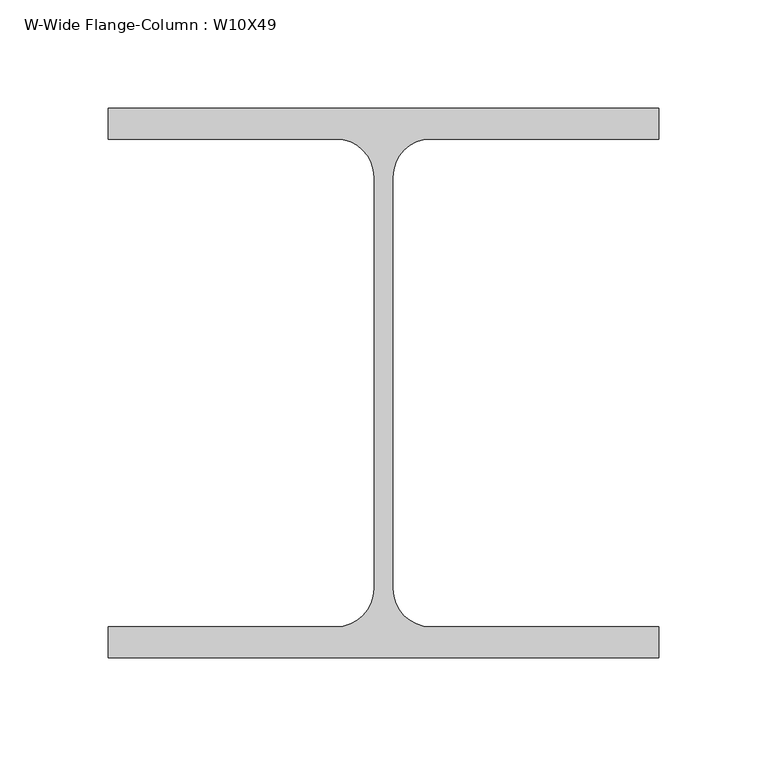
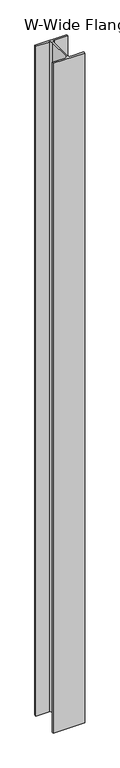
"""IFC4 building model written with IfcOpenShell, lengths in millimetres: column geometry, W-Wide Flange-Column : W10X49."""

from ifc_helpers import new_model, si_unit, point, frame, frame_2d, origin, place, context, project, spatial, polyline, circle_curve, trimmed, segment, composite_curve, outline, extrude, source, transform, mapped, element, save


def w_wide_flange_column_w10x49_fe22e2dc(model_context):
    return source(origin(), model_context, "Body", "SweptSolid", [
        extrude(outline(composite_curve([segment(polyline([(127.0, 126.7519531), (127.0, 112.5636719), (21.8777344, 112.5636719)]), True, "CONTINUOUS"), segment(trimmed(circle_curve(frame_2d((21.8777344, 95.0019531)), 17.5617188), [point((21.8777344, 112.5636719))], [point((4.3160156, 95.0019531))], True, "CARTESIAN"), True, "CONTINUOUS"), segment(polyline([(4.3160156, 95.0019531), (4.3160156, -95.0019531)]), True, "CONTINUOUS"), segment(trimmed(circle_curve(frame_2d((21.8777344, -95.0019531)), 17.5617187), [point((4.3160156, -95.0019531))], [point((21.8777344, -112.5636719))], True, "CARTESIAN"), True, "CONTINUOUS"), segment(polyline([(21.8777344, -112.5636719), (127.0, -112.5636719), (127.0, -126.7519531), (-127.0, -126.7519531), (-127.0, -112.5636719), (-21.8777344, -112.5636719)]), True, "CONTINUOUS"), segment(trimmed(circle_curve(frame_2d((-21.8777344, -95.0019531)), 17.5617187), [point((-21.8777344, -112.5636719))], [point((-4.3160156, -95.0019531))], True, "CARTESIAN"), True, "CONTINUOUS"), segment(polyline([(-4.3160156, -95.0019531), (-4.3160156, 95.0019531)]), True, "CONTINUOUS"), segment(trimmed(circle_curve(frame_2d((-21.8777344, 95.0019531)), 17.5617188), [point((-4.3160156, 95.0019531))], [point((-21.8777344, 112.5636719))], True, "CARTESIAN"), True, "CONTINUOUS"), segment(polyline([(-21.8777344, 112.5636719), (-127.0, 112.5636719), (-127.0, 126.7519531), (127.0, 126.7519531)]), True, "CONTINUOUS")], self_intersect=False)), frame((0.0, 0.0, 168706.8), z_axis=(0.0, 0.0, 1.0), x_axis=(1.0, 0.0, 0.0)), (0.0, 0.0, 1.0), 5689.6),
    ])


if __name__ == "__main__":
    model = new_model("IFC4")
    model_context = context("Model", 3, world=origin())
    ifc_project = project(units=[si_unit("LENGTHUNIT", "METRE", prefix="MILLI")], contexts=[model_context])
    site = spatial("IfcSite", under=ifc_project)
    building = spatial("IfcBuilding", under=site)
    placement = place(None, origin())
    w_wide_flange_column_w10x49_shape = w_wide_flange_column_w10x49_fe22e2dc(model_context)
    element("IfcColumn", 1, ObjectType="W-Wide Flange-Column : W10X49", at=placement, inside=building, context=model_context, shape_type="MappedRepresentation", body=[
        mapped(w_wide_flange_column_w10x49_shape, transform((0.0, 0.0, 0.0), x_axis=(1.0, 0.0, 0.0), y_axis=(0.0, 1.0, 0.0), z_axis=(0.0, 0.0, 1.0))),
    ])
    save(model, "model.ifc")
